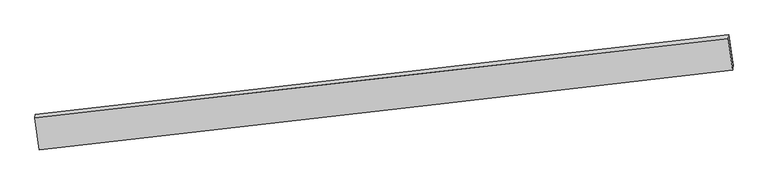
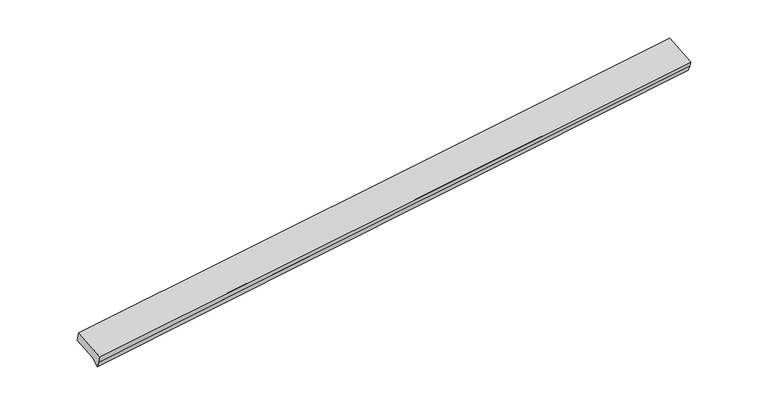
"""IFC4 building model written with IfcOpenShell, lengths in millimetres: proxy geometry."""

import ifcopenshell
import ifcopenshell.guid

model = None  # the IFC model being written
_history = None  # IfcOwnerHistory: only IFC2X3 demands one
_inside = {}  # id of a spatial element -> (the spatial element, [elements in it])
_under = {}  # id of a project, library or spatial element -> (it, [spatial elements below it])
_declared = {}  # id of a project -> (the project, [libraries it declares])
_typed = {}  # id of a type object -> (the type object, [elements of that type])
_made_of = {}  # id of a material, layer set ... -> (it, [elements and type objects made of it])


def new_model(schema):
    """Start an empty IFC model of exactly this schema.

    Asked for "IFC4X3", IfcOpenShell would pick the latest addendum, in which some entities
    have other attributes; the version numbers below select the first issue.
    IFC2X3 requires an IfcOwnerHistory on every rooted entity: one is made here for all.
    """
    global model, _history
    if schema == "IFC4X3":
        model = ifcopenshell.file(schema_version=(4, 3, 0, 0))
    else:
        model = ifcopenshell.file(schema=schema)
    _inside.clear()
    _under.clear()
    _declared.clear()
    _typed.clear()
    _made_of.clear()
    _history = None
    if model.schema == "IFC2X3":
        org = make("IfcOrganization", Name="unknown")
        user = make(
            "IfcPersonAndOrganization",
            ThePerson=make("IfcPerson", FamilyName="unknown"),
            TheOrganization=org,
        )
        app = make(
            "IfcApplication",
            ApplicationDeveloper=org,
            Version="unknown",
            ApplicationFullName="unknown",
            ApplicationIdentifier="unknown",
        )
        _history = make(
            "IfcOwnerHistory",
            OwningUser=user,
            OwningApplication=app,
            ChangeAction="ADDED",
            CreationDate=0,
        )
    return model


def make(cls, **values):
    """One entity of the class cls with the attributes given. An attribute that is None is left unset."""
    return model.create_entity(
        cls, **{name: value for name, value in values.items() if value is not None}
    )


def rooted(cls, **values):
    """An entity with a GlobalId (a new one), such as an element, a storey or a relation."""
    return make(cls, GlobalId=ifcopenshell.guid.new(), OwnerHistory=_history, **values)


def si_unit(unit_type, name, prefix=None):
    """IfcSIUnit, for example si_unit("LENGTHUNIT", "METRE", prefix="MILLI")."""
    return make("IfcSIUnit", UnitType=unit_type, Prefix=prefix, Name=name)


def assignment(units):
    """IfcUnitAssignment: the units of a project."""
    return None if units is None else make("IfcUnitAssignment", Units=units)


def point(xyz):
    """IfcCartesianPoint."""
    return None if xyz is None else make("IfcCartesianPoint", Coordinates=xyz)


def direction(xyz):
    """IfcDirection."""
    return None if xyz is None else make("IfcDirection", DirectionRatios=xyz)


def frame(location, z_axis=None, x_axis=None):
    """IfcAxis2Placement3D, a coordinate frame: its origin and axes. An axis left out is left unset."""
    return make(
        "IfcAxis2Placement3D",
        Location=point(location),
        Axis=direction(z_axis),
        RefDirection=direction(x_axis),
    )


def origin():
    """The frame at (0, 0, 0) with its axes left unset."""
    return frame((0.0, 0.0, 0.0))


def place(relative_to, where):
    """IfcLocalPlacement: puts the frame where relative to a parent placement (None: the world)."""
    return make(
        "IfcLocalPlacement", PlacementRelTo=relative_to, RelativePlacement=where
    )


def context(
    kind, dimensions, precision=None, world=None, true_north=None, identifier=None
):
    """IfcGeometricRepresentationContext, for example the 3D "Model" context."""
    return make(
        "IfcGeometricRepresentationContext",
        ContextIdentifier=identifier,
        ContextType=kind,
        CoordinateSpaceDimension=dimensions,
        Precision=precision,
        WorldCoordinateSystem=world,
        TrueNorth=true_north,
    )


def project(units=None, contexts=None):
    """IfcProject with its units and contexts."""
    return rooted(
        "IfcProject",
        Name="project",
        RepresentationContexts=contexts,
        UnitsInContext=assignment(units),
    )


def spatial(cls, under=None, at=None, **own):
    """A site, building, storey or space (cls), placed at a placement, below another one or the project."""
    s = rooted(cls, ObjectPlacement=at, **own)
    if under is not None:
        _under.setdefault(under.id(), (under, []))[1].append(s)
    return s


def shape(context_of_items, identifier, shape_type, items):
    """IfcShapeRepresentation: the items that make up one representation, for example the "Body"."""
    return make(
        "IfcShapeRepresentation",
        ContextOfItems=context_of_items,
        RepresentationIdentifier=identifier,
        RepresentationType=shape_type,
        Items=items,
    )


def source(mapping_origin, context_of_items, identifier, shape_type, items):
    """IfcRepresentationMap: a shape defined once, which mapped items show again and again."""
    return make(
        "IfcRepresentationMap",
        MappingOrigin=mapping_origin,
        MappedRepresentation=shape(context_of_items, identifier, shape_type, items),
    )


def transform(
    local_origin,
    x_axis=None,
    y_axis=None,
    z_axis=None,
    scale=None,
    scale2=None,
    scale3=None,
    uniform=True,
):
    """IfcCartesianTransformationOperator3D, or its non-uniform kind. x_axis, y_axis, z_axis: its Axis1, 2, 3."""
    if uniform:
        return make(
            "IfcCartesianTransformationOperator3D",
            Axis1=direction(x_axis),
            Axis2=direction(y_axis),
            LocalOrigin=point(local_origin),
            Scale=scale,
            Axis3=direction(z_axis),
        )
    return make(
        "IfcCartesianTransformationOperator3DnonUniform",
        Axis1=direction(x_axis),
        Axis2=direction(y_axis),
        LocalOrigin=point(local_origin),
        Scale=scale,
        Axis3=direction(z_axis),
        Scale2=scale2,
        Scale3=scale3,
    )


def mapped(mapping_source, mapping_target):
    """IfcMappedItem: shows the shape of a source again, moved by a transform."""
    return make(
        "IfcMappedItem", MappingSource=mapping_source, MappingTarget=mapping_target
    )


def made_of(thing, what):
    """Note that an element or type object is made of a material, layer set ...; save() writes the relation."""
    if what is not None:
        _made_of.setdefault(what.id(), (what, []))[1].append(thing)
    return thing


def element(
    cls,
    number,
    at=None,
    inside=None,
    cuts=None,
    type_object=None,
    material=None,
    context=None,
    identifier="Body",
    shape_type=None,
    held_by="IfcProductDefinitionShape",
    body=None,
    shapes=None,
    **own,
):
    """One element of the class cls, such as IfcWall. Its Tag is "e" and its number.

    at: its placement. inside: the storey or other place that contains it. cuts: it is an
    opening in that element (IfcRelVoidsElement). A single representation is given by context,
    identifier, shape_type and body (its items); several are given by shapes. held_by: the class
    of the entity that holds the representations. save() writes the other relations.
    """
    e = rooted(cls, Tag="e%d" % number, ObjectPlacement=at, **own)
    if body is not None:
        shapes = [shape(context, identifier, shape_type, body)]
    if shapes is not None:
        e.Representation = make(held_by, Representations=shapes)
    if inside is not None:
        _inside.setdefault(inside.id(), (inside, []))[1].append(e)
    if cuts is not None:
        rooted(
            "IfcRelVoidsElement", RelatingBuildingElement=cuts, RelatedOpeningElement=e
        )
    if type_object is not None:
        _typed.setdefault(type_object.id(), (type_object, []))[1].append(e)
    return made_of(e, material)


def aggregate(whole, parts):
    """IfcRelAggregates: a whole, such as a stair, and the parts it consists of."""
    return rooted("IfcRelAggregates", RelatingObject=whole, RelatedObjects=parts)


def save(model, path):
    """Write the relations noted so far, then the file.

    IfcRelAggregates (storeys below a building ...), IfcRelContainedInSpatialStructure (elements
    in a storey), IfcRelDefinesByType, IfcRelAssociatesMaterial and IfcRelDeclares: one each for
    every whole, place, type object, material and project.
    """
    for whole, parts in _under.values():
        aggregate(whole, parts)
    for where, things in _inside.values():
        rooted(
            "IfcRelContainedInSpatialStructure",
            RelatedElements=things,
            RelatingStructure=where,
        )
    for kind, things in _typed.values():
        rooted("IfcRelDefinesByType", RelatedObjects=things, RelatingType=kind)
    for what, things in _made_of.values():
        rooted("IfcRelAssociatesMaterial", RelatedObjects=things, RelatingMaterial=what)
    for by, libraries in _declared.values():
        rooted("IfcRelDeclares", RelatingContext=by, RelatedDefinitions=libraries)
    model.write(path)


def plane_surface(at):
    """IfcPlane: the flat surface through the origin of the frame at, square to its z axis."""
    return make("IfcPlane", Position=at)


def spline_curve(degree, points, multiplicities, knots, weights=None):
    """IfcBSplineCurveWithKnots; with weights, IfcRationalBSplineCurveWithKnots."""
    own = dict(
        Degree=degree,
        ControlPointsList=[point(p) for p in points],
        CurveForm="UNSPECIFIED",
        ClosedCurve=False,
        SelfIntersect=False,
        KnotMultiplicities=multiplicities,
        Knots=knots,
        KnotSpec="UNSPECIFIED",
    )
    if weights is None:
        return make("IfcBSplineCurveWithKnots", **own)
    return make("IfcRationalBSplineCurveWithKnots", WeightsData=weights, **own)


def spline_surface(u_degree, v_degree, points, u_multiplicities, v_multiplicities, u_knots, v_knots, weights=None):
    """IfcBSplineSurfaceWithKnots; with weights, IfcRationalBSplineSurfaceWithKnots. points: one row for each step in u."""
    own = dict(
        UDegree=u_degree,
        VDegree=v_degree,
        ControlPointsList=[[point(p) for p in row] for row in points],
        SurfaceForm="UNSPECIFIED",
        UClosed=False,
        VClosed=False,
        SelfIntersect=False,
        UMultiplicities=u_multiplicities,
        VMultiplicities=v_multiplicities,
        UKnots=u_knots,
        VKnots=v_knots,
        KnotSpec="UNSPECIFIED",
    )
    if weights is None:
        return make("IfcBSplineSurfaceWithKnots", **own)
    return make("IfcRationalBSplineSurfaceWithKnots", WeightsData=weights, **own)


def advanced_brep(points, edges, surfaces, faces):
    """IfcAdvancedBrep: a solid bounded by faces that lie on surfaces and meet in shared edges.

    An edge is (start, end): straight between two places in points (the first is 0);
    or (start, end, curve); or (start, end, curve, False) where it runs against its curve.
    A face is (place in surfaces, loops), or (place, loops, False) where it looks against
    its surface's normal. A loop lists edges by number (the first is 1), with a minus sign
    where the edge is run from its end to its start. The first loop is the outer one.
    """
    corners = [point(p) for p in points]
    vertices = [make("IfcVertexPoint", VertexGeometry=c) for c in corners]
    made = []
    for start, end, *more in edges:
        made.append(
            make(
                "IfcEdgeCurve",
                EdgeStart=vertices[start],
                EdgeEnd=vertices[end],
                EdgeGeometry=more[0] if more else make("IfcPolyline", Points=[corners[start], corners[end]]),
                SameSense=more[1] if len(more) > 1 else True,
            )
        )
    hull = []
    for where, loops, *sense in faces:
        bounds = []
        for j, loop in enumerate(loops):
            ring = [make("IfcOrientedEdge", EdgeElement=made[abs(k) - 1], Orientation=k > 0) for k in loop]
            bounds.append(
                make(
                    "IfcFaceOuterBound" if j == 0 else "IfcFaceBound",
                    Bound=make("IfcEdgeLoop", EdgeList=ring),
                    Orientation=True,
                )
            )
        hull.append(make("IfcAdvancedFace", Bounds=bounds, FaceSurface=surfaces[where], SameSense=sense[0] if sense else True))
    return make("IfcAdvancedBrep", Outer=make("IfcClosedShell", CfsFaces=hull))


def generic_models_9d896243(model_context):
    return source(origin(), model_context, "Body", "AdvancedBrep", [
        advanced_brep(
        [(-5951.7065523, -2045.9161562, 1755.680899), (-5880.4431112, -2562.8867126, 1593.5469227), (5371.5365609, -1267.5907605, 2409.0756859), (5300.2731198, -750.620204, 2571.2096622), (-5945.21095, -1988.8483674, 1576.5730511), (5307.1140642, -690.518377, 2382.5794538), (-5891.8579003, -2375.8905224, 1455.1876399), (5361.7711935, -1087.020793, 2258.2270849), (-5872.8368069, -2475.3366638, 1351.126448), (5376.4574176, -1182.7166036, 2207.7116111), (-5875.7702128, -2521.8324782, 1464.6977815), (5374.9491442, -1237.6091551, 2314.9781061)],
        [
            (0, 1),
            (1, 2, spline_curve(3, [(-5880.4431112, -2562.8867126, 1593.5469227), (-3735.251577185, -2315.439305679, 1747.436363597), (-1590.089129217, -2068.280671756, 1902.233781741), (2160.557968227, -1636.642365015, 2174.476059184), (3766.055411412, -1452.035682309, 2291.521562005), (5371.5365609, -1267.5907605, 2409.0756859)], [4, 2, 4], [0.0, 21.308050464787975, 37.255948305104496])),
            (2, 3),
            (3, 0, spline_curve(3, [(5300.2731198, -750.620204, 2571.2096622), (3694.791970312, -935.065125809, 2453.655538305), (2089.294527127, -1119.671808515, 2336.610035484), (-1661.352570317, -1551.310115256, 2064.367758041), (-3806.515018285, -1798.468749279, 1909.570339897), (-5951.7065523, -2045.9161562, 1755.680899)], [4, 2, 4], [0.0, 15.947897840316521, 37.255948305104496])),
            (4, 0),
            (3, 5),
            (5, 4, spline_curve(3, [(5307.1140642, -690.518377, 2382.5794538), (3701.669794964, -874.63928179, 2264.008399826), (2096.172351981, -1059.24596519, 2146.962897344), (-1654.560902273, -1491.641207771, 1877.096273558), (-3799.838464172, -1739.811188395, 1725.472975543), (-5945.21095, -1988.8483674, 1576.5730511)], [4, 2, 4], [0.0, 15.947925387652504, 37.25601265854691])),
            (6, 4),
            (5, 7),
            (7, 6, spline_curve(3, [(5361.7711935, -1087.020793, 2258.2270849), (3755.70615499, -1266.638414585, 2141.068365377), (2149.774018774, -1448.091677451, 2025.011848847), (-1601.540030638, -1876.273622659, 1756.466612625), (-3746.817592637, -2124.443603283, 1604.843314611), (-5891.8579003, -2375.8905224, 1455.1876399)], [4, 2, 4], [0.0, 15.947925387652504, 37.25601265854691])),
            (8, 6),
            (7, 9),
            (9, 8, spline_curve(3, [(5376.4574176, -1182.7166036, 2207.7116111), (3771.650786124, -1371.1925926, 2087.263097618), (2166.703150509, -1557.941349696, 1966.05448891), (-1582.950878417, -1990.170880491, 1681.122908543), (-3727.767984442, -2234.295476285, 1516.80312951), (-5872.8368069, -2475.3366638, 1351.126448)], [4, 2, 4], [0.0, 15.947901257509717, 37.25595628802327])),
            (10, 8),
            (9, 11),
            (11, 10, spline_curve(3, [(5374.9491442, -1237.6091551, 2314.9781061), (3769.333400609, -1423.236565583, 2201.135235568), (2163.835957522, -1607.843248488, 2084.089732823), (-1586.496714324, -2036.719138216, 1803.17758129), (-3731.23905774, -2280.18689606, 1636.796309134), (-5875.7702128, -2521.8324782, 1464.6977815)], [4, 2, 4], [0.0, 15.947993239101205, 37.2561711665892])),
            (1, 10),
            (11, 2),
        ],
        [
            spline_surface(3, 3, [[(-5951.7065523, -2045.9161562, 1755.680899), (-3806.51501838, -1798.468749509, 1909.570339764), (-1661.352570507, -1551.310115126, 2064.367758108), (2089.29452727, -1119.671808613, 2336.610035434), (3694.791970074, -935.065125583, 2453.655538139), (5300.2731198, -750.620204, 2571.2096622)], [(-5927.952071942, -2218.239675012, 1701.636240231), (-3782.760538022, -1970.792268321, 1855.525680996), (-1637.598090149, -1723.633633938, 2010.323099339), (2113.049007627, -1291.995327424, 2282.565376665), (3718.546450432, -1107.388644395, 2399.61087937), (5324.027600158, -922.943722812, 2517.165003431)], [(-5904.197591558, -2390.563193788, 1647.591581469), (-3759.006057638, -2143.115787097, 1801.481022233), (-1613.843609764, -1895.957152814, 1956.278440576), (2136.803488012, -1464.318846301, 2228.520717903), (3742.300930816, -1279.712163271, 2345.566220608), (5347.782080542, -1095.267241688, 2463.120344669)], [(-5880.4431112, -2562.8867126, 1593.5469227), (-3735.25157728, -2315.439305909, 1747.436363464), (-1590.089129407, -2068.280671626, 1902.233781808), (2160.55796837, -1636.642365113, 2174.476059134), (3766.055411174, -1452.035682083, 2291.521561839), (5371.5365609, -1267.5907605, 2409.0756859)]], [4, 4], [4, 2, 4], [0.0, 1.7928655670066687], [0.0, 21.308050464787975, 37.255948305104496]),
            plane_surface(frame((-5948.4587511, -2017.3822618, 1666.1269751), z_axis=(-0.13040795965482188, 0.9460261033024848, 0.296695763247443), x_axis=(-0.034534202708307975, -0.3034038252668663, 0.9522360566880118))),
            spline_surface(3, 3, [[(-5891.8579003, -2375.8905224, 1455.1876399), (-3746.817592689, -2124.443603264, 1604.843314632), (-1601.540030734, -1876.273622849, 1756.466612853), (2149.774018846, -1448.091677309, 2025.011848677), (3755.706154853, -1266.63841459, 2141.068365437), (5361.7711935, -1087.020793, 2258.2270849)], [(-5909.642250209, -2246.876470734, 1495.649443644), (-3764.49121651, -1996.232798348, 1645.053201535), (-1619.213654555, -1748.062817932, 1796.676499756), (2131.906796581, -1318.476439856, 2065.66219825), (3737.694034855, -1135.972037023, 2182.048376969), (5343.552150392, -954.85332099, 2299.677874522)], [(-5927.426600091, -2117.862419066, 1536.111247356), (-3782.164840304, -1868.021993428, 1685.263088406), (-1636.887278448, -1619.852013013, 1836.886386627), (2114.039574244, -1188.8612024, 2106.312547791), (3719.681914881, -1005.305659485, 2223.028388537), (5325.333107308, -822.68584901, 2341.128664178)], [(-5945.21095, -1988.8483674, 1576.5730511), (-3799.838464125, -1739.811188511, 1725.472975309), (-1654.56090227, -1491.641208096, 1877.096273531), (2096.172351979, -1059.245964947, 2146.962897364), (3701.669794883, -874.639281917, 2264.008400069), (5307.1140642, -690.518377, 2382.5794538)]], [4, 4], [4, 2, 4], [0.0, 1.339514177285389], [0.0, 21.308087270894404, 37.25601265854691]),
            spline_surface(3, 3, [[(-5872.8368069, -2475.3366638, 1351.126448), (-3727.767984236, -2234.295476493, 1516.803129519), (-1582.950878309, -1990.170880404, 1681.122908428), (2166.703150429, -1557.941349761, 1966.054488996), (3771.650786049, -1371.192592452, 2087.263097769), (5376.4574176, -1182.7166036, 2207.7116111)], [(-5879.17717137, -2442.18794999, 1385.813511973), (-3734.117853724, -2197.678185407, 1546.149857897), (-1589.147262451, -1952.205127872, 1706.237476554), (2161.060106567, -1521.324792264, 1985.706942207), (3766.33590899, -1336.341199822, 2105.198186998), (5371.562009573, -1150.818000058, 2224.550102374)], [(-5885.51753583, -2409.03923621, 1420.500575927), (-3740.467723202, -2161.06089435, 1575.496586254), (-1595.343646592, -1914.239375381, 1731.352044727), (2155.417062707, -1484.708234806, 2005.359395466), (3761.021031912, -1301.48980722, 2123.133276207), (5366.666601527, -1118.919396542, 2241.388593626)], [(-5891.8579003, -2375.8905224, 1455.1876399), (-3746.817592689, -2124.443603264, 1604.843314632), (-1601.540030734, -1876.273622849, 1756.466612853), (2149.774018846, -1448.091677309, 2025.011848677), (3755.706154853, -1266.63841459, 2141.068365437), (5361.7711935, -1087.020793, 2258.2270849)]], [4, 4], [4, 2, 4], [0.0, 0.43716418003941904], [0.0, 21.308055030513554, 37.25595628802327]),
            spline_surface(3, 3, [[(-5875.7702128, -2521.8324782, 1464.6977815), (-3731.239057462, -2280.186896144, 1636.796309136), (-1586.496714634, -2036.719138138, 1803.177581297), (2163.835957753, -1607.843248546, 2084.089732818), (3769.333400558, -1423.236565516, 2201.135235523), (5374.9491442, -1237.6091551, 2314.9781061)], [(-5874.792410815, -2506.333873407, 1426.840670318), (-3730.082033035, -2264.889756267, 1596.798582582), (-1585.314769207, -2021.203052226, 1762.492690335), (2164.791688631, -1591.209282283, 2044.744651538), (3770.105862366, -1405.8885745, 2163.177856265), (5375.451901978, -1219.311637939, 2279.222607761)], [(-5873.814608885, -2490.835268593, 1388.983559182), (-3728.925008663, -2249.592616369, 1556.800856073), (-1584.132823736, -2005.686966316, 1721.80779939), (2165.747419551, -1574.575316024, 2005.399570276), (3770.878324241, -1388.540583467, 2125.220477026), (5375.954659822, -1201.014120761, 2243.467109439)], [(-5872.8368069, -2475.3366638, 1351.126448), (-3727.767984236, -2234.295476493, 1516.803129519), (-1582.950878309, -1990.170880404, 1681.122908428), (2166.703150429, -1557.941349761, 1966.054488996), (3771.650786049, -1371.192592452, 2087.263097769), (5376.4574176, -1182.7166036, 2207.7116111)]], [4, 4], [4, 2, 4], [0.0, 0.42519396893369577], [0.0, 21.308177927487993, 37.2561711665892]),
            plane_surface(frame((-5878.106662, -2542.3595954, 1529.1223521), z_axis=(0.13040795965482346, -0.9460261033024737, -0.2966957632474783), x_axis=(0.03453420270830192, 0.3034038252669013, -0.9522360566880009))),
            plane_surface(frame((5348.6835834, -1036.0126489, 2357.296934), z_axis=(0.9908587956424323, 0.11393300963177001, 0.07223653102326913), x_axis=(-0.13448615014590884, 0.8763151838812844, 0.46258531528577823))),
            plane_surface(frame((-5902.9709222, -2328.4518168, 1532.8021237), z_axis=(-0.9908587956424312, -0.1139330096317568, -0.07223653102330609), x_axis=(-0.13040795965482102, 0.9460261033024854, 0.2966957632474414))),
        ],
        [
            (0, [[1, 2, 3, 4]]),
            (1, [[5, -4, 6, 7]]),
            (2, [[8, -7, 9, 10]]),
            (3, [[11, -10, 12, 13]]),
            (4, [[14, -13, 15, 16]]),
            (5, [[17, -16, 18, -2]]),
            (6, [[-12, -9, -6, -3, -18, -15]]),
            (7, [[-1, -5, -8, -11, -14, -17]]),
        ],
    ),
    ])


if __name__ == "__main__":
    model = new_model("IFC4")
    model_context = context("Model", 3, world=origin())
    ifc_project = project(units=[si_unit("LENGTHUNIT", "METRE", prefix="MILLI")], contexts=[model_context])
    site = spatial("IfcSite", under=ifc_project)
    building = spatial("IfcBuilding", under=site)
    placement = place(None, origin())
    generic_models_shape = generic_models_9d896243(model_context)
    element("IfcBuildingElementProxy", 1, Name="Generic Models", at=placement, inside=building, context=model_context, shape_type="MappedRepresentation", body=[
        mapped(generic_models_shape, transform((0.0, 0.0, 0.0), x_axis=(1.0, 0.0, 0.0), y_axis=(0.0, 1.0, 0.0), z_axis=(0.0, 0.0, 1.0))),
    ])
    save(model, "model.ifc")
